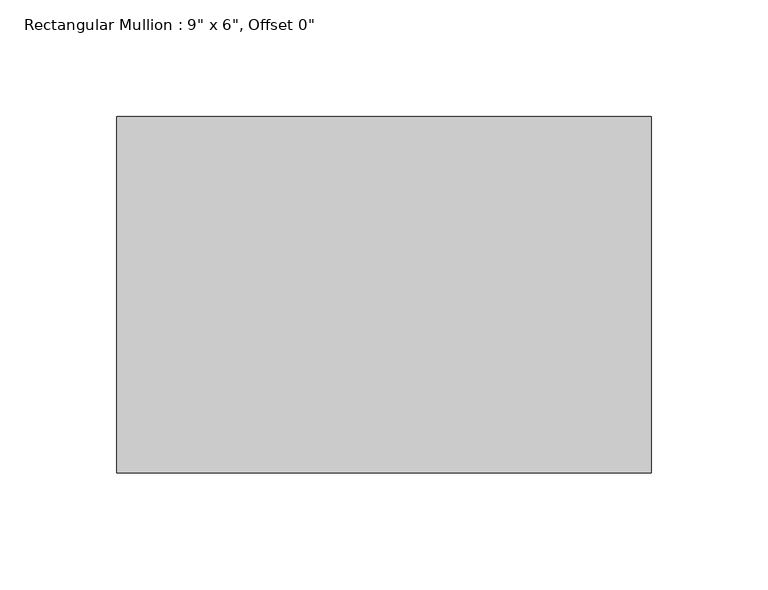
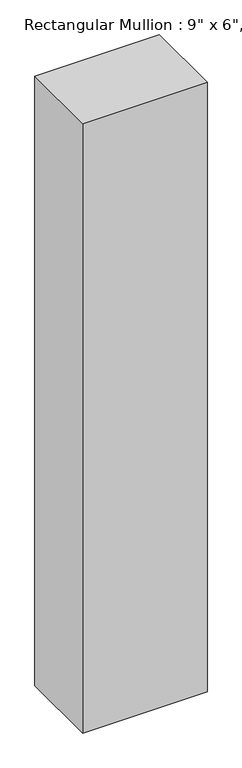
"""IFC4 building model written with IfcOpenShell, lengths in millimetres: member geometry."""

from ifc_helpers import new_model, si_unit, frame, origin, place, context, project, spatial, polyline, outline, extrude, source, transform, mapped, element, save


def member_ffa5b7cc(model_context):
    return source(origin(), model_context, "Body", "SweptSolid", [
        extrude(outline(polyline([(114.3, 76.2), (114.3, -76.2), (-114.3, -76.2), (-114.3, 76.2), (114.3, 76.2)])), frame((0.0, 0.0, -1185.3333333), z_axis=(0.0, 0.0, 1.0), x_axis=(1.0, 0.0, 0.0)), (0.0, 0.0, 1.0), 1185.3333333),
    ])


if __name__ == "__main__":
    model = new_model("IFC4")
    model_context = context("Model", 3, world=origin())
    ifc_project = project(units=[si_unit("LENGTHUNIT", "METRE", prefix="MILLI")], contexts=[model_context])
    site = spatial("IfcSite", under=ifc_project)
    building = spatial("IfcBuilding", under=site)
    placement = place(None, origin())
    member_shape = member_ffa5b7cc(model_context)
    element("IfcMember", 1, ObjectType="Rectangular Mullion : 9\" x 6\", Offset 0\"", at=placement, inside=building, context=model_context, shape_type="MappedRepresentation", body=[
        mapped(member_shape, transform((0.0, 0.0, 0.0), x_axis=(1.0, 0.0, 0.0), y_axis=(0.0, 1.0, 0.0), z_axis=(0.0, 0.0, 1.0))),
    ])
    save(model, "model.ifc")
